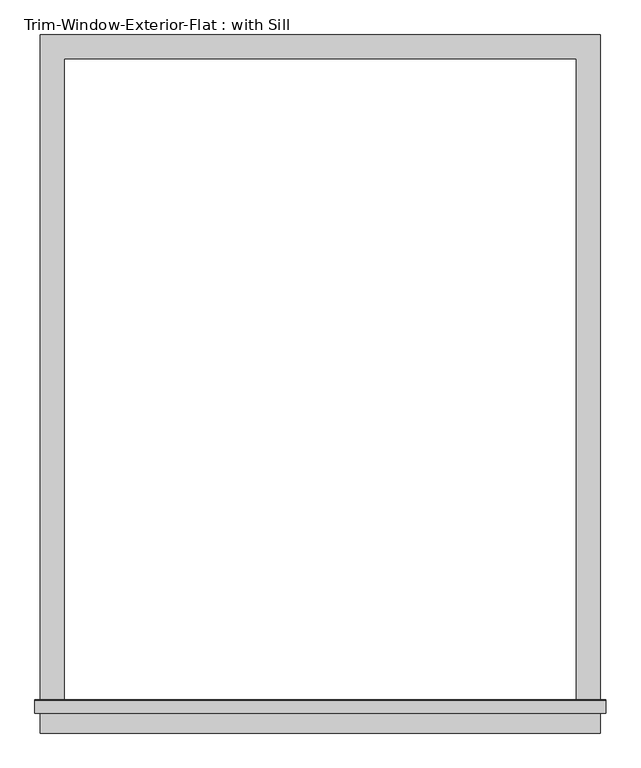
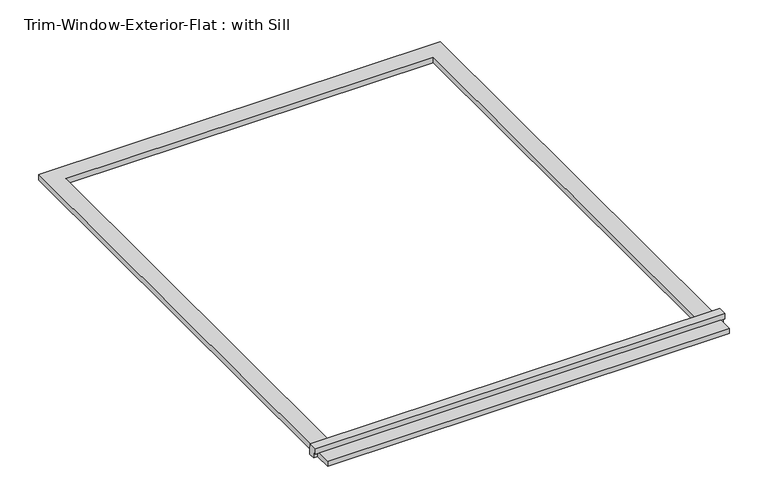
"""IFC4 building model written with IfcOpenShell, lengths in millimetres: proxy geometry, Trim-Window-Exterior-Flat : with Sill."""

from ifc_helpers import new_model, si_unit, frame, origin, origin_with_axes, place, context, project, spatial, polyline, outline, extrude, source, transform, mapped, element, save


def trim_window_exterior_flat_with_sill_92b9b949(model_context):
    return source(origin(), model_context, "Body", "SweptSolid", [
        extrude(outline(polyline([(666.75, -1546.1823709), (666.75, -1603.3323709), (-666.75, -1603.3323709), (-666.75, -1546.1823709), (666.75, -1546.1823709)])), origin_with_axes(), (0.0, 0.0, 1.0), 19.05),
        extrude(outline(polyline([(-1555.75, 38.1), (-1526.4580645, 38.1), (-1524.0, 19.05), (-1524.0, 0.0), (-1546.1823709, 0.0), (-1546.1823709, 19.05), (-1555.75, 19.05), (-1555.75, 38.1)])), frame((-679.45, 0.0, 0.0), z_axis=(1.0, 0.0, 0.0), x_axis=(0.0, 1.0, 0.0)), (0.0, 0.0, 1.0), 1358.9),
        extrude(outline(polyline([(-666.75, 57.15), (666.75, 57.15), (666.75, -1524.0), (609.6, -1524.0), (609.6, 0.0), (-609.6, 0.0), (-609.6, -1524.0), (-666.75, -1524.0), (-666.75, 57.15)])), origin_with_axes(), (0.0, 0.0, 1.0), 19.05),
    ])


if __name__ == "__main__":
    model = new_model("IFC4")
    model_context = context("Model", 3, world=origin())
    ifc_project = project(units=[si_unit("LENGTHUNIT", "METRE", prefix="MILLI")], contexts=[model_context])
    site = spatial("IfcSite", under=ifc_project)
    building = spatial("IfcBuilding", under=site)
    placement = place(None, origin())
    trim_window_exterior_flat_with_sill_shape = trim_window_exterior_flat_with_sill_92b9b949(model_context)
    element("IfcBuildingElementProxy", 1, Name="Trim-Window-Exterior-Flat : with Sill", ObjectType="Trim-Window-Exterior-Flat : with Sill", at=placement, inside=building, context=model_context, shape_type="MappedRepresentation", body=[
        mapped(trim_window_exterior_flat_with_sill_shape, transform((0.0, 0.0, 0.0), x_axis=(1.0, 0.0, 0.0), y_axis=(0.0, 1.0, 0.0), z_axis=(0.0, 0.0, 1.0))),
    ])
    save(model, "model.ifc")
